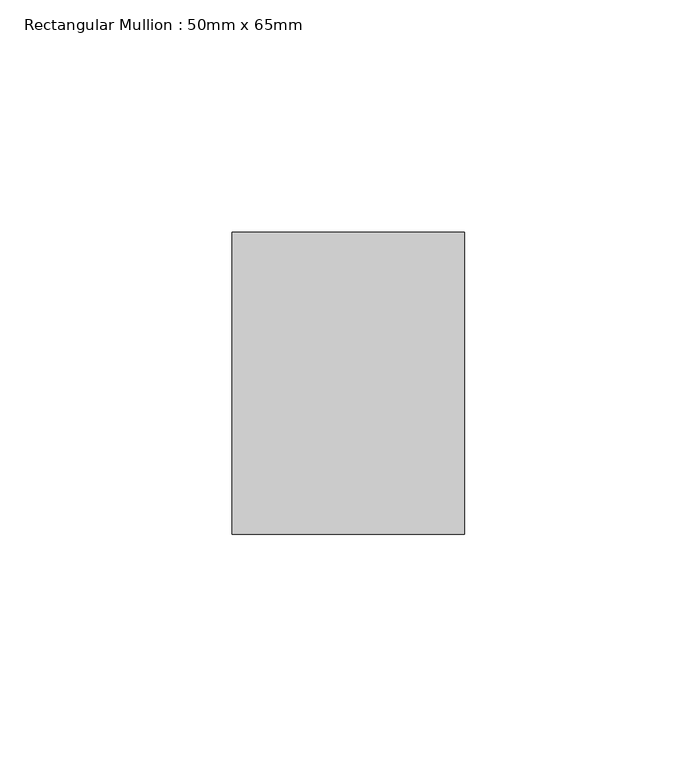
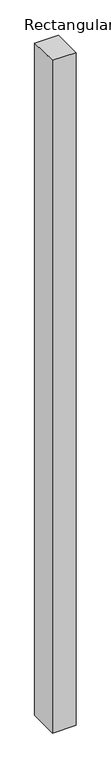
"""IFC4 building model written with IfcOpenShell, lengths in millimetres: member geometry, Rectangular Mullion : 50mm x 65mm."""

from ifc_helpers import new_model, si_unit, origin, place, context, project, spatial, faceted_brep, source, transform, mapped, element, save


def rectangular_mullion_50mm_x_65mm_95b724ea(model_context):
    return source(origin(), model_context, "Body", "Brep", [
        faceted_brep([(-25.0, 32.5, -0.4073266), (25.0, 32.5, -0.4073252), (25.0, 32.5, -1499.6939421), (-25.0, 32.5, -1499.693941), (-25.0, -32.5, 0.4073252), (-25.0, -32.5, -1500.3053881), (25.0, -32.5, 0.4073266), (25.0, -32.5, -1500.3053892)], [[[0, 1, 2, 3]], [[4, 0, 3, 5]], [[6, 4, 5, 7]], [[1, 6, 7, 2]], [[1, 0, 4, 6]], [[2, 7, 5, 3]]]),
    ])


if __name__ == "__main__":
    model = new_model("IFC4")
    model_context = context("Model", 3, world=origin())
    ifc_project = project(units=[si_unit("LENGTHUNIT", "METRE", prefix="MILLI")], contexts=[model_context])
    site = spatial("IfcSite", under=ifc_project)
    building = spatial("IfcBuilding", under=site)
    placement = place(None, origin())
    rectangular_mullion_50mm_x_65mm_shape = rectangular_mullion_50mm_x_65mm_95b724ea(model_context)
    element("IfcMember", 1, ObjectType="Rectangular Mullion : 50mm x 65mm", at=placement, inside=building, context=model_context, shape_type="MappedRepresentation", body=[
        mapped(rectangular_mullion_50mm_x_65mm_shape, transform((0.0, 0.0, 0.0), x_axis=(1.0, 0.0, 0.0), y_axis=(0.0, 1.0, 0.0), z_axis=(0.0, 0.0, 1.0))),
    ])
    save(model, "model.ifc")
